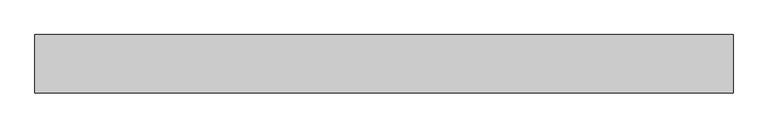
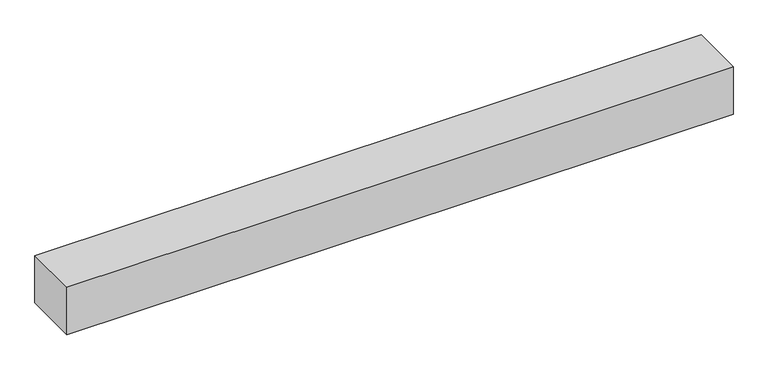
"""IFC4 building model written with IfcOpenShell, lengths in millimetres: light fixture geometry."""

from ifc_helpers import new_model, si_unit, frame, origin, place, context, project, spatial, polyline, circle_curve, outline, extrude, faceted_brep, source, transform, mapped, element, save
from ifc_brep_helpers import plane_surface, cylinder_surface, advanced_brep


def light_fixture_98785bda(model_context):
    return source(origin(), model_context, "Body", "SolidModel", [
        advanced_brep(
        [(585.0, 0.0, -57.5), (585.0, 0.0, -37.5), (585.0, 0.0, -47.5), (-585.0, 0.0, -57.5), (-585.0, 0.0, -37.5), (-585.0, 0.0, -47.5)],
        [
            (0, 1, circle_curve(frame((585.0, 0.0, -47.5), z_axis=(1.0, 0.0, 0.0), x_axis=(0.0, 0.0, 1.0)), 10.0)),
            (1, 2),
            (2, 0),
            (1, 0, circle_curve(frame((585.0, 0.0, -47.5), z_axis=(1.0, 0.0, 0.0), x_axis=(0.0, 0.0, 1.0)), 10.0)),
            (3, 4, circle_curve(frame((-585.0, 0.0, -47.5), z_axis=(1.0, 0.0, 0.0), x_axis=(0.0, 0.0, 1.0)), 10.0)),
            (4, 1),
            (0, 3),
            (4, 3, circle_curve(frame((-585.0, 0.0, -47.5), z_axis=(1.0, 0.0, 0.0), x_axis=(0.0, 0.0, 1.0)), 10.0)),
            (5, 4),
            (3, 5),
        ],
        [
            plane_surface(frame((585.0, 0.0, -47.5), z_axis=(1.0, 0.0, 0.0), x_axis=(0.0, 0.0, 1.0))),
            cylinder_surface(frame((-652.954085, 0.0, -47.5), z_axis=(-1.0, 0.0, 0.0), x_axis=(0.0, 0.0, 1.0)), 10.0),
            plane_surface(frame((-585.0, 0.0, -47.5), z_axis=(-1.0, 0.0, 0.0), x_axis=(0.0, 0.0, 1.0))),
        ],
        [
            (0, [[1, 2, 3]]),
            (0, [[4, -3, -2]]),
            (1, [[5, 6, -1, 7]]),
            (1, [[8, -7, -4, -6]]),
            (2, [[9, -5, 10]]),
            (2, [[-10, -8, -9]]),
        ],
    ),
        extrude(outline(polyline([(585.0, 35.0), (585.0, -35.0), (-585.0, -35.0), (-585.0, 35.0), (585.0, 35.0)])), frame((0.0, 0.0, -90.0), z_axis=(0.0, 0.0, 1.0), x_axis=(1.0, 0.0, 0.0)), (0.0, 0.0, 1.0), 10.0),
        faceted_brep([(600.0, 50.0, 0.0), (-600.0, 50.0, 0.0), (-600.0, -50.0, 0.0), (600.0, -50.0, 0.0), (585.0, 35.0, -15.0), (585.0, -35.0, -15.0), (-585.0, -35.0, -15.0), (-585.0, 35.0, -15.0), (600.0, 50.0, -90.0), (-600.0, 50.0, -90.0), (-600.0, -50.0, -90.0), (600.0, -50.0, -90.0), (585.0, 35.0, -90.0), (-585.0, 35.0, -90.0), (-585.0, -35.0, -90.0), (585.0, -35.0, -90.0)], [[[0, 1, 2, 3]], [[4, 5, 6, 7]], [[1, 0, 8, 9]], [[2, 1, 9, 10]], [[3, 2, 10, 11]], [[8, 0, 3, 11]], [[8, 11, 10, 9], [12, 13, 14, 15]], [[12, 15, 5, 4]], [[15, 14, 6, 5]], [[14, 13, 7, 6]], [[13, 12, 4, 7]]]),
    ])


if __name__ == "__main__":
    model = new_model("IFC4")
    model_context = context("Model", 3, world=origin())
    ifc_project = project(units=[si_unit("LENGTHUNIT", "METRE", prefix="MILLI")], contexts=[model_context])
    site = spatial("IfcSite", under=ifc_project)
    building = spatial("IfcBuilding", under=site)
    placement = place(None, origin())
    light_fixture_shape = light_fixture_98785bda(model_context)
    element("IfcLightFixture", 1, at=placement, inside=building, context=model_context, shape_type="MappedRepresentation", body=[
        mapped(light_fixture_shape, transform((0.0, 0.0, 0.0), x_axis=(1.0, 0.0, 0.0), y_axis=(0.0, 1.0, 0.0), z_axis=(0.0, 0.0, 1.0))),
    ])
    save(model, "model.ifc")
